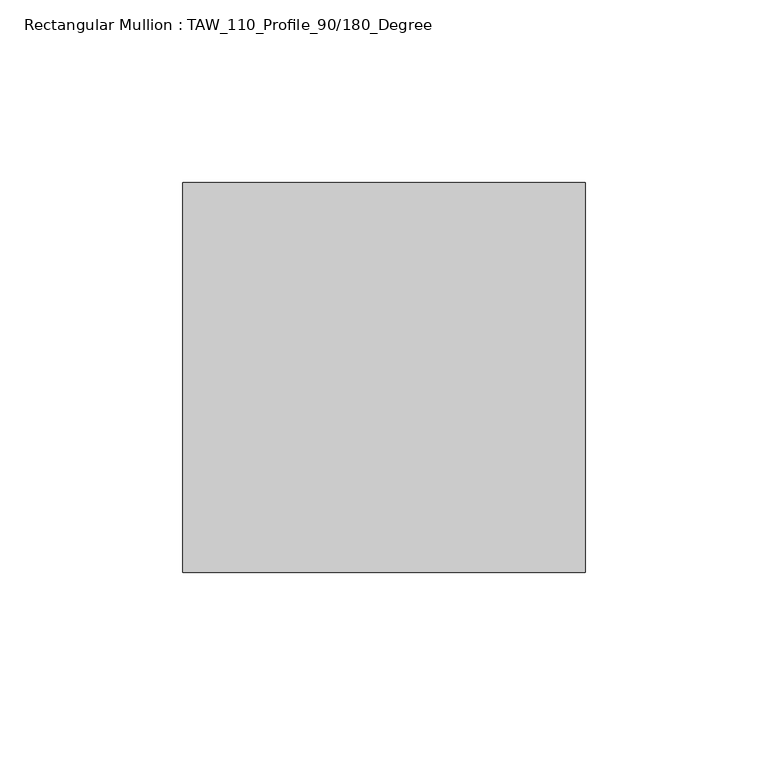
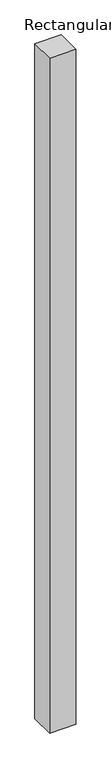
"""IFC4 building model written with IfcOpenShell, lengths in millimetres: member geometry, Rectangular Mullion : TAW_110_Profile_90/180_Degree."""

from ifc_helpers import new_model, si_unit, frame, origin, place, context, project, spatial, polyline, outline, extrude, source, transform, mapped, element, save


def rectangular_mullion_taw_110_profile_90_180_degree_486cc1f9(model_context):
    return source(origin(), model_context, "Body", "SweptSolid", [
        extrude(outline(polyline([(0.0, 53.3000317), (0.0, -53.3000317), (-110.0, -53.3000317), (-110.0, 53.3000317), (0.0, 53.3000317)])), frame((0.0, 0.0, -3000.0), z_axis=(0.0, 0.0, 1.0), x_axis=(1.0, 0.0, 0.0)), (0.0, 0.0, 1.0), 3000.0),
    ])


if __name__ == "__main__":
    model = new_model("IFC4")
    model_context = context("Model", 3, world=origin())
    ifc_project = project(units=[si_unit("LENGTHUNIT", "METRE", prefix="MILLI")], contexts=[model_context])
    site = spatial("IfcSite", under=ifc_project)
    building = spatial("IfcBuilding", under=site)
    placement = place(None, origin())
    rectangular_mullion_taw_110_profile_90_180_degree_shape = rectangular_mullion_taw_110_profile_90_180_degree_486cc1f9(model_context)
    element("IfcMember", 1, ObjectType="Rectangular Mullion : TAW_110_Profile_90/180_Degree", at=placement, inside=building, context=model_context, shape_type="MappedRepresentation", body=[
        mapped(rectangular_mullion_taw_110_profile_90_180_degree_shape, transform((0.0, 0.0, 0.0), x_axis=(1.0, 0.0, 0.0), y_axis=(0.0, 1.0, 0.0), z_axis=(0.0, 0.0, 1.0))),
    ])
    save(model, "model.ifc")
